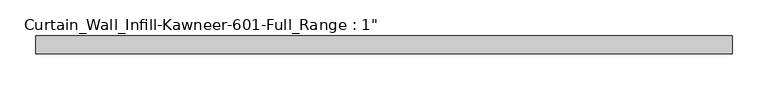
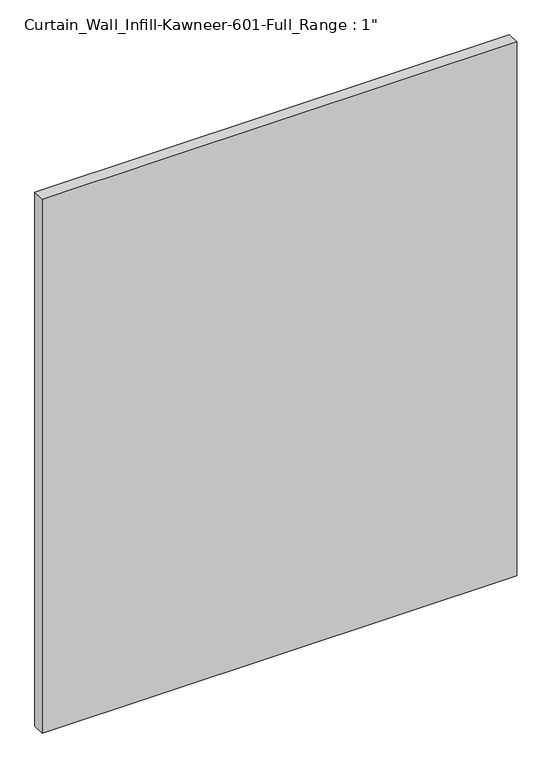
"""IFC4 building model written with IfcOpenShell, lengths in millimetres: plate geometry."""

from ifc_helpers import new_model, si_unit, origin, origin_with_axes, place, context, project, spatial, polyline, outline, extrude, source, transform, mapped, element, save


def plate_7c438011(model_context):
    return source(origin(), model_context, "Body", "SweptSolid", [
        extrude(outline(polyline([(-488.476925, -12.7), (-488.476925, 12.7), (488.476925, 12.7), (488.476925, -12.7), (-488.476925, -12.7)])), origin_with_axes(), (0.0, 0.0, 1.0), 1162.05),
    ])


if __name__ == "__main__":
    model = new_model("IFC4")
    model_context = context("Model", 3, world=origin())
    ifc_project = project(units=[si_unit("LENGTHUNIT", "METRE", prefix="MILLI")], contexts=[model_context])
    site = spatial("IfcSite", under=ifc_project)
    building = spatial("IfcBuilding", under=site)
    placement = place(None, origin())
    plate_shape = plate_7c438011(model_context)
    element("IfcPlate", 1, ObjectType="Curtain_Wall_Infill-Kawneer-601-Full_Range : 1\"", at=placement, inside=building, context=model_context, shape_type="MappedRepresentation", body=[
        mapped(plate_shape, transform((0.0, 0.0, 0.0), x_axis=(1.0, 0.0, 0.0), y_axis=(0.0, 1.0, 0.0), z_axis=(0.0, 0.0, 1.0))),
    ])
    save(model, "model.ifc")
